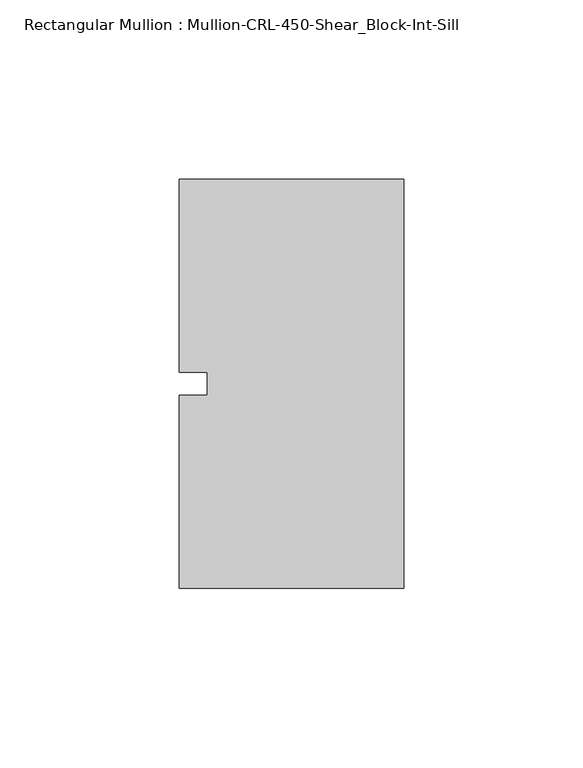
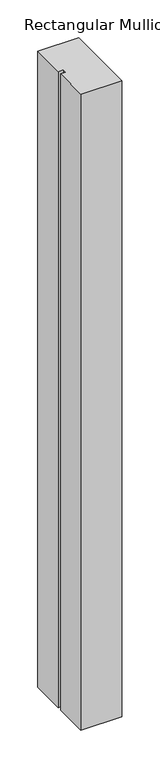
"""IFC4 building model written with IfcOpenShell, lengths in millimetres: member geometry, Rectangular Mullion : Mullion-CRL-450-Shear_Block-Int-Sill."""

from ifc_helpers import new_model, si_unit, frame, origin, place, context, project, spatial, polyline, outline, extrude, source, transform, mapped, element, save


def rectangular_mullion_mullion_crl_450_shear_block_int_sill_01818aea(model_context):
    return source(origin(), model_context, "Body", "SweptSolid", [
        extrude(outline(polyline([(-62.70625, -3.175), (-54.76875, -3.175), (-54.76875, 3.175), (-62.70625, 3.175), (-62.70625, 57.15), (0.0, 57.15), (0.0, -57.15), (-62.70625, -57.15), (-62.70625, -3.175)])), frame((0.0, 0.0, -1028.7), z_axis=(0.0, 0.0, 1.0), x_axis=(1.0, 0.0, 0.0)), (0.0, 0.0, 1.0), 1028.7),
    ])


if __name__ == "__main__":
    model = new_model("IFC4")
    model_context = context("Model", 3, world=origin())
    ifc_project = project(units=[si_unit("LENGTHUNIT", "METRE", prefix="MILLI")], contexts=[model_context])
    site = spatial("IfcSite", under=ifc_project)
    building = spatial("IfcBuilding", under=site)
    placement = place(None, origin())
    rectangular_mullion_mullion_crl_450_shear_block_int_sill_shape = rectangular_mullion_mullion_crl_450_shear_block_int_sill_01818aea(model_context)
    element("IfcMember", 1, ObjectType="Rectangular Mullion : Mullion-CRL-450-Shear_Block-Int-Sill", at=placement, inside=building, context=model_context, shape_type="MappedRepresentation", body=[
        mapped(rectangular_mullion_mullion_crl_450_shear_block_int_sill_shape, transform((0.0, 0.0, 0.0), x_axis=(1.0, 0.0, 0.0), y_axis=(0.0, 1.0, 0.0), z_axis=(0.0, 0.0, 1.0))),
    ])
    save(model, "model.ifc")
